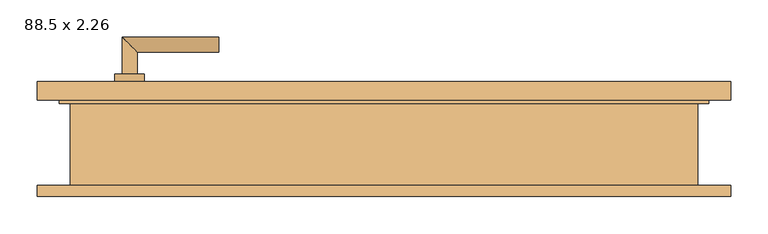
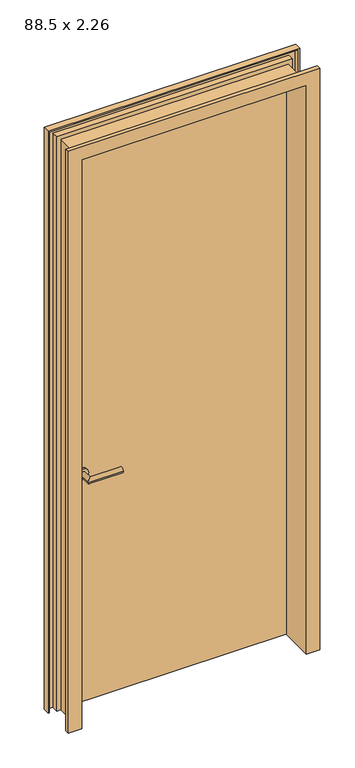
"""IFC4 building model written with IfcOpenShell, lengths in millimetres: door geometry, 88.5 x 2.26."""

import ifcopenshell
import ifcopenshell.guid

model = None  # the IFC model being written
_history = None  # IfcOwnerHistory: only IFC2X3 demands one
_inside = {}  # id of a spatial element -> (the spatial element, [elements in it])
_under = {}  # id of a project, library or spatial element -> (it, [spatial elements below it])
_declared = {}  # id of a project -> (the project, [libraries it declares])
_typed = {}  # id of a type object -> (the type object, [elements of that type])
_made_of = {}  # id of a material, layer set ... -> (it, [elements and type objects made of it])


def new_model(schema):
    """Start an empty IFC model of exactly this schema.

    Asked for "IFC4X3", IfcOpenShell would pick the latest addendum, in which some entities
    have other attributes; the version numbers below select the first issue.
    IFC2X3 requires an IfcOwnerHistory on every rooted entity: one is made here for all.
    """
    global model, _history
    if schema == "IFC4X3":
        model = ifcopenshell.file(schema_version=(4, 3, 0, 0))
    else:
        model = ifcopenshell.file(schema=schema)
    _inside.clear()
    _under.clear()
    _declared.clear()
    _typed.clear()
    _made_of.clear()
    _history = None
    if model.schema == "IFC2X3":
        org = make("IfcOrganization", Name="unknown")
        user = make(
            "IfcPersonAndOrganization",
            ThePerson=make("IfcPerson", FamilyName="unknown"),
            TheOrganization=org,
        )
        app = make(
            "IfcApplication",
            ApplicationDeveloper=org,
            Version="unknown",
            ApplicationFullName="unknown",
            ApplicationIdentifier="unknown",
        )
        _history = make(
            "IfcOwnerHistory",
            OwningUser=user,
            OwningApplication=app,
            ChangeAction="ADDED",
            CreationDate=0,
        )
    return model


def make(cls, **values):
    """One entity of the class cls with the attributes given. An attribute that is None is left unset."""
    return model.create_entity(
        cls, **{name: value for name, value in values.items() if value is not None}
    )


def rooted(cls, **values):
    """An entity with a GlobalId (a new one), such as an element, a storey or a relation."""
    return make(cls, GlobalId=ifcopenshell.guid.new(), OwnerHistory=_history, **values)


def si_unit(unit_type, name, prefix=None):
    """IfcSIUnit, for example si_unit("LENGTHUNIT", "METRE", prefix="MILLI")."""
    return make("IfcSIUnit", UnitType=unit_type, Prefix=prefix, Name=name)


def assignment(units):
    """IfcUnitAssignment: the units of a project."""
    return None if units is None else make("IfcUnitAssignment", Units=units)


def point(xyz):
    """IfcCartesianPoint."""
    return None if xyz is None else make("IfcCartesianPoint", Coordinates=xyz)


def direction(xyz):
    """IfcDirection."""
    return None if xyz is None else make("IfcDirection", DirectionRatios=xyz)


def frame(location, z_axis=None, x_axis=None):
    """IfcAxis2Placement3D, a coordinate frame: its origin and axes. An axis left out is left unset."""
    return make(
        "IfcAxis2Placement3D",
        Location=point(location),
        Axis=direction(z_axis),
        RefDirection=direction(x_axis),
    )


def frame_2d(location, x_axis=None):
    """IfcAxis2Placement2D, a coordinate frame in the plane: its origin and x axis."""
    return make(
        "IfcAxis2Placement2D", Location=point(location), RefDirection=direction(x_axis)
    )


def origin():
    """The frame at (0, 0, 0) with its axes left unset."""
    return frame((0.0, 0.0, 0.0))


def origin_with_axes():
    """The frame at (0, 0, 0) with the z axis (0, 0, 1) and the x axis (1, 0, 0) written out."""
    return frame((0.0, 0.0, 0.0), z_axis=(0.0, 0.0, 1.0), x_axis=(1.0, 0.0, 0.0))


def place(relative_to, where):
    """IfcLocalPlacement: puts the frame where relative to a parent placement (None: the world)."""
    return make(
        "IfcLocalPlacement", PlacementRelTo=relative_to, RelativePlacement=where
    )


def context(
    kind, dimensions, precision=None, world=None, true_north=None, identifier=None
):
    """IfcGeometricRepresentationContext, for example the 3D "Model" context."""
    return make(
        "IfcGeometricRepresentationContext",
        ContextIdentifier=identifier,
        ContextType=kind,
        CoordinateSpaceDimension=dimensions,
        Precision=precision,
        WorldCoordinateSystem=world,
        TrueNorth=true_north,
    )


def project(units=None, contexts=None):
    """IfcProject with its units and contexts."""
    return rooted(
        "IfcProject",
        Name="project",
        RepresentationContexts=contexts,
        UnitsInContext=assignment(units),
    )


def spatial(cls, under=None, at=None, **own):
    """A site, building, storey or space (cls), placed at a placement, below another one or the project."""
    s = rooted(cls, ObjectPlacement=at, **own)
    if under is not None:
        _under.setdefault(under.id(), (under, []))[1].append(s)
    return s


def polyline(points):
    """IfcPolyline through the points."""
    return make("IfcPolyline", Points=[point(p) for p in points])


def circle_curve(where, radius):
    """IfcCircle in the frame where."""
    return make("IfcCircle", Position=where, Radius=radius)


def ellipse_curve(where, semi_axis1, semi_axis2):
    """IfcEllipse in the frame where."""
    return make(
        "IfcEllipse", Position=where, SemiAxis1=semi_axis1, SemiAxis2=semi_axis2
    )


def trimmed(basis, trim1, trim2, sense, master):
    """IfcTrimmedCurve: the piece of a basis curve between two trims."""
    return make(
        "IfcTrimmedCurve",
        BasisCurve=basis,
        Trim1=trim1,
        Trim2=trim2,
        SenseAgreement=sense,
        MasterRepresentation=master,
    )


def segment(curve, same_sense, transition):
    """IfcCompositeCurveSegment."""
    return make(
        "IfcCompositeCurveSegment",
        Transition=transition,
        SameSense=same_sense,
        ParentCurve=curve,
    )


def composite_curve(segments, self_intersect=None):
    """IfcCompositeCurve: segments joined end to end."""
    return make("IfcCompositeCurve", Segments=segments, SelfIntersect=self_intersect)


def outline(outer, holes=None, kind="AREA"):
    """IfcArbitraryClosedProfileDef: a profile drawn as a closed curve; with holes, ...WithVoids."""
    if holes is None:
        return make("IfcArbitraryClosedProfileDef", ProfileType=kind, OuterCurve=outer)
    return make(
        "IfcArbitraryProfileDefWithVoids",
        ProfileType=kind,
        OuterCurve=outer,
        InnerCurves=holes,
    )


def extrude(swept, where, along, depth):
    """IfcExtrudedAreaSolid: the profile swept, set in the frame where, extruded along a direction by depth."""
    return make(
        "IfcExtrudedAreaSolid",
        SweptArea=swept,
        Position=where,
        ExtrudedDirection=direction(along),
        Depth=depth,
    )


def faces_of(points, faces, orient=None, outer=None):
    """IfcFace entities. A face is a list of loops; a loop is a list of indices into points, from 0.

    orient and outer hold one flag for each loop. By default every Orientation is true, the
    first loop of a face is its IfcFaceOuterBound and the others are IfcFaceBound.
    """
    made = []
    for i, loops in enumerate(faces):
        bounds = []
        for j, loop in enumerate(loops):
            is_outer = j == 0 if outer is None else outer[i][j]
            bounds.append(
                make(
                    "IfcFaceOuterBound" if is_outer else "IfcFaceBound",
                    Bound=make("IfcPolyLoop", Polygon=[points[k] for k in loop]),
                    Orientation=True if orient is None else orient[i][j],
                )
            )
        made.append(make("IfcFace", Bounds=bounds))
    return made


def faceted_brep(points, faces, orient=None, outer=None, voids=None):
    """IfcFacetedBrep: a solid bounded by flat faces; with voids (closed shells), ...WithVoids."""
    shared = [point(p) for p in points]
    hull = make("IfcClosedShell", CfsFaces=faces_of(shared, faces, orient, outer))
    if voids is None:
        return make("IfcFacetedBrep", Outer=hull)
    return make(
        "IfcFacetedBrepWithVoids",
        Outer=hull,
        Voids=[
            make(cls, CfsFaces=faces_of(shared, fs, o, b)) for cls, fs, o, b in voids
        ],
    )


def shape(context_of_items, identifier, shape_type, items):
    """IfcShapeRepresentation: the items that make up one representation, for example the "Body"."""
    return make(
        "IfcShapeRepresentation",
        ContextOfItems=context_of_items,
        RepresentationIdentifier=identifier,
        RepresentationType=shape_type,
        Items=items,
    )


def source(mapping_origin, context_of_items, identifier, shape_type, items):
    """IfcRepresentationMap: a shape defined once, which mapped items show again and again."""
    return make(
        "IfcRepresentationMap",
        MappingOrigin=mapping_origin,
        MappedRepresentation=shape(context_of_items, identifier, shape_type, items),
    )


def transform(
    local_origin,
    x_axis=None,
    y_axis=None,
    z_axis=None,
    scale=None,
    scale2=None,
    scale3=None,
    uniform=True,
):
    """IfcCartesianTransformationOperator3D, or its non-uniform kind. x_axis, y_axis, z_axis: its Axis1, 2, 3."""
    if uniform:
        return make(
            "IfcCartesianTransformationOperator3D",
            Axis1=direction(x_axis),
            Axis2=direction(y_axis),
            LocalOrigin=point(local_origin),
            Scale=scale,
            Axis3=direction(z_axis),
        )
    return make(
        "IfcCartesianTransformationOperator3DnonUniform",
        Axis1=direction(x_axis),
        Axis2=direction(y_axis),
        LocalOrigin=point(local_origin),
        Scale=scale,
        Axis3=direction(z_axis),
        Scale2=scale2,
        Scale3=scale3,
    )


def mapped(mapping_source, mapping_target):
    """IfcMappedItem: shows the shape of a source again, moved by a transform."""
    return make(
        "IfcMappedItem", MappingSource=mapping_source, MappingTarget=mapping_target
    )


def made_of(thing, what):
    """Note that an element or type object is made of a material, layer set ...; save() writes the relation."""
    if what is not None:
        _made_of.setdefault(what.id(), (what, []))[1].append(thing)
    return thing


def element(
    cls,
    number,
    at=None,
    inside=None,
    cuts=None,
    type_object=None,
    material=None,
    context=None,
    identifier="Body",
    shape_type=None,
    held_by="IfcProductDefinitionShape",
    body=None,
    shapes=None,
    **own,
):
    """One element of the class cls, such as IfcWall. Its Tag is "e" and its number.

    at: its placement. inside: the storey or other place that contains it. cuts: it is an
    opening in that element (IfcRelVoidsElement). A single representation is given by context,
    identifier, shape_type and body (its items); several are given by shapes. held_by: the class
    of the entity that holds the representations. save() writes the other relations.
    """
    e = rooted(cls, Tag="e%d" % number, ObjectPlacement=at, **own)
    if body is not None:
        shapes = [shape(context, identifier, shape_type, body)]
    if shapes is not None:
        e.Representation = make(held_by, Representations=shapes)
    if inside is not None:
        _inside.setdefault(inside.id(), (inside, []))[1].append(e)
    if cuts is not None:
        rooted(
            "IfcRelVoidsElement", RelatingBuildingElement=cuts, RelatedOpeningElement=e
        )
    if type_object is not None:
        _typed.setdefault(type_object.id(), (type_object, []))[1].append(e)
    return made_of(e, material)


def aggregate(whole, parts):
    """IfcRelAggregates: a whole, such as a stair, and the parts it consists of."""
    return rooted("IfcRelAggregates", RelatingObject=whole, RelatedObjects=parts)


def save(model, path):
    """Write the relations noted so far, then the file.

    IfcRelAggregates (storeys below a building ...), IfcRelContainedInSpatialStructure (elements
    in a storey), IfcRelDefinesByType, IfcRelAssociatesMaterial and IfcRelDeclares: one each for
    every whole, place, type object, material and project.
    """
    for whole, parts in _under.values():
        aggregate(whole, parts)
    for where, things in _inside.values():
        rooted(
            "IfcRelContainedInSpatialStructure",
            RelatedElements=things,
            RelatingStructure=where,
        )
    for kind, things in _typed.values():
        rooted("IfcRelDefinesByType", RelatedObjects=things, RelatingType=kind)
    for what, things in _made_of.values():
        rooted("IfcRelAssociatesMaterial", RelatedObjects=things, RelatingMaterial=what)
    for by, libraries in _declared.values():
        rooted("IfcRelDeclares", RelatingContext=by, RelatedDefinitions=libraries)
    model.write(path)


def plane_surface(at):
    """IfcPlane: the flat surface through the origin of the frame at, square to its z axis."""
    return make("IfcPlane", Position=at)


def cylinder_surface(at, radius):
    """IfcCylindricalSurface: all points at the distance radius from the z axis of the frame at."""
    return make("IfcCylindricalSurface", Position=at, Radius=radius)


def advanced_brep(points, edges, surfaces, faces):
    """IfcAdvancedBrep: a solid bounded by faces that lie on surfaces and meet in shared edges.

    An edge is (start, end): straight between two places in points (the first is 0);
    or (start, end, curve); or (start, end, curve, False) where it runs against its curve.
    A face is (place in surfaces, loops), or (place, loops, False) where it looks against
    its surface's normal. A loop lists edges by number (the first is 1), with a minus sign
    where the edge is run from its end to its start. The first loop is the outer one.
    """
    corners = [point(p) for p in points]
    vertices = [make("IfcVertexPoint", VertexGeometry=c) for c in corners]
    made = []
    for start, end, *more in edges:
        made.append(
            make(
                "IfcEdgeCurve",
                EdgeStart=vertices[start],
                EdgeEnd=vertices[end],
                EdgeGeometry=more[0] if more else make("IfcPolyline", Points=[corners[start], corners[end]]),
                SameSense=more[1] if len(more) > 1 else True,
            )
        )
    hull = []
    for where, loops, *sense in faces:
        bounds = []
        for j, loop in enumerate(loops):
            ring = [make("IfcOrientedEdge", EdgeElement=made[abs(k) - 1], Orientation=k > 0) for k in loop]
            bounds.append(
                make(
                    "IfcFaceOuterBound" if j == 0 else "IfcFaceBound",
                    Bound=make("IfcEdgeLoop", EdgeList=ring),
                    Orientation=True,
                )
            )
        hull.append(make("IfcAdvancedFace", Bounds=bounds, FaceSurface=surfaces[where], SameSense=sense[0] if sense else True))
    return make("IfcAdvancedBrep", Outer=make("IfcClosedShell", CfsFaces=hull))


def door_88_5_x_2_26_aee30849(model_context):
    return source(origin(), model_context, "Body", "SolidModel", [
        advanced_brep(
        [(-332.5, 61.9346141, 900.0), (-352.5, 61.9346141, 900.0), (-332.5, 31.9346141, 900.0), (-352.5, 11.9346141, 900.0), (-222.5, 31.9346141, 900.0), (-222.5, 11.9346141, 900.0)],
        [
            (0, 1, circle_curve(frame((-342.5, 61.9346141, 900.0), z_axis=(0.0, 1.0, 0.0), x_axis=(-1.0, 0.0, 0.0)), 10.0)),
            (1, 0, circle_curve(frame((-342.5, 61.9346141, 900.0), z_axis=(0.0, 1.0, 0.0), x_axis=(-1.0, 0.0, 0.0)), 10.0)),
            (0, 2),
            (2, 3, ellipse_curve(frame((-342.5, 21.9346141, 900.0), z_axis=(-0.7071067811865686, 0.7071067811865265, 0.0), x_axis=(0.7071067811865264, 0.7071067811865687, 0.0)), 14.1421356, 10.0)),
            (3, 1),
            (3, 2, ellipse_curve(frame((-342.5, 21.9346141, 900.0), z_axis=(-0.7071067811865686, 0.7071067811865265, 0.0), x_axis=(0.7071067811865264, 0.7071067811865687, 0.0)), 14.1421356, 10.0)),
            (4, 5, circle_curve(frame((-222.5, 21.9346141, 900.0), z_axis=(1.0, 0.0, 0.0), x_axis=(0.0, -1.0, 0.0)), 10.0)),
            (5, 4, circle_curve(frame((-222.5, 21.9346141, 900.0), z_axis=(1.0, 0.0, 0.0), x_axis=(0.0, -1.0, 0.0)), 10.0)),
            (2, 4),
            (5, 3),
        ],
        [
            plane_surface(frame((-342.5, 61.9346141, -387.7526403), z_axis=(0.0, 1.0, 0.0), x_axis=(0.0, 0.0, 1.0))),
            cylinder_surface(frame((-342.5, 61.9346141, 900.0), z_axis=(0.0, 1.0, 0.0), x_axis=(-1.0, 0.0, 0.0)), 10.0),
            plane_surface(frame((-222.5, 21.9346141, -387.7526403), z_axis=(1.0, 0.0, 0.0), x_axis=(0.0, 0.0, 1.0))),
            cylinder_surface(frame((-342.5, 21.9346141, 900.0), z_axis=(-1.0, 0.0, 0.0), x_axis=(0.0, -1.0, 0.0)), 10.0),
        ],
        [
            (0, [[1, 2]]),
            (1, [[-1, 3, 4, 5]]),
            (1, [[-2, -5, 6, -3]]),
            (2, [[7, 8]]),
            (3, [[-4, 9, -8, 10]]),
            (3, [[-6, -10, -7, -9]]),
        ],
    ),
        advanced_brep(
        [(-332.5, 106.9346141, 900.0), (-352.5, 106.9346141, 900.0), (-332.5, 136.9346141, 900.0), (-352.5, 156.9346141, 900.0), (-222.5, 136.9346141, 900.0), (-222.5, 156.9346141, 900.0)],
        [
            (0, 1, circle_curve(frame((-342.5, 106.9346141, 900.0), z_axis=(0.0, -1.0, 0.0), x_axis=(-1.0, 0.0, 0.0)), 10.0)),
            (1, 0, circle_curve(frame((-342.5, 106.9346141, 900.0), z_axis=(0.0, -1.0, 0.0), x_axis=(-1.0, 0.0, 0.0)), 10.0)),
            (0, 2),
            (2, 3, ellipse_curve(frame((-342.5, 146.9346141, 900.0), z_axis=(-0.7071067811865486, -0.7071067811865464, 0.0), x_axis=(0.7071067811865464, -0.7071067811865488, 0.0)), 14.1421356, 10.0)),
            (3, 1),
            (3, 2, ellipse_curve(frame((-342.5, 146.9346141, 900.0), z_axis=(-0.7071067811865486, -0.7071067811865464, 0.0), x_axis=(0.7071067811865464, -0.7071067811865488, 0.0)), 14.1421356, 10.0)),
            (4, 5, circle_curve(frame((-222.5, 146.9346141, 900.0), z_axis=(1.0, 0.0, 0.0), x_axis=(0.0, 1.0, 0.0)), 10.0)),
            (5, 4, circle_curve(frame((-222.5, 146.9346141, 900.0), z_axis=(1.0, 0.0, 0.0), x_axis=(0.0, 1.0, 0.0)), 10.0)),
            (2, 4),
            (5, 3),
        ],
        [
            plane_surface(frame((-342.5, 106.9346141, -387.7526403), z_axis=(0.0, -1.0, 0.0), x_axis=(0.0, 0.0, 1.0))),
            cylinder_surface(frame((-342.5, 106.9346141, 900.0), z_axis=(0.0, -1.0, 0.0), x_axis=(-1.0, 0.0, 0.0)), 10.0),
            plane_surface(frame((-222.5, 146.9346141, -387.7526403), z_axis=(1.0, 0.0, 0.0), x_axis=(0.0, 0.0, 1.0))),
            cylinder_surface(frame((-342.5, 146.9346141, 900.0), z_axis=(-1.0, 0.0, 0.0), x_axis=(0.0, 1.0, 0.0)), 10.0),
        ],
        [
            (0, [[1, 2]]),
            (1, [[-1, 3, 4, 5]]),
            (1, [[-2, -5, 6, -3]]),
            (2, [[7, 8]]),
            (3, [[-4, 9, -8, 10]]),
            (3, [[-6, -10, -7, -9]]),
        ],
    ),
        extrude(outline(composite_curve([segment(trimmed(circle_curve(frame_2d((900.0, -342.5)), 20.0), [point((900.0, -322.5))], [point((900.0, -362.5))], False, "CARTESIAN"), True, "CONTINUOUS"), segment(trimmed(circle_curve(frame_2d((900.0, -342.5)), 20.0), [point((900.0, -362.5))], [point((900.0, -322.5))], False, "CARTESIAN"), True, "CONTINUOUS")], self_intersect=False)), frame((0.0, 61.9346141, 0.0), z_axis=(0.0, 1.0, 0.0), x_axis=(0.0, 0.0, 1.0)), (0.0, 0.0, 1.0), 10.0),
        extrude(outline(composite_curve([segment(trimmed(circle_curve(frame_2d((900.0, -342.5)), 20.0), [point((900.0, -322.5))], [point((900.0, -362.5))], False, "CARTESIAN"), True, "CONTINUOUS"), segment(trimmed(circle_curve(frame_2d((900.0, -342.5)), 20.0), [point((900.0, -362.5))], [point((900.0, -322.5))], False, "CARTESIAN"), True, "CONTINUOUS")], self_intersect=False)), frame((0.0, 96.9346141, 0.0), z_axis=(0.0, 1.0, 0.0), x_axis=(0.0, 0.0, 1.0)), (0.0, 0.0, 1.0), 10.0),
        extrude(outline(polyline([(432.5, 71.9346141), (-432.5, 71.9346141), (-432.5, 96.9346141), (432.5, 96.9346141), (432.5, 71.9346141)])), origin_with_axes(), (0.0, 0.0, 1.0), 2250.0),
        faceted_brep([(466.9603207, -58.0653859, 0.0), (417.5, -58.0653859, 0.0), (417.5, 71.9346141, 0.0), (432.5, 71.9346141, 0.0), (432.5, 96.9346141, 0.0), (466.9603207, 96.9346141, 0.0), (466.9603207, 71.9346141, 0.0), (461.9603207, 71.9346141, 0.0), (461.9603207, 91.9346141, 0.0), (437.5, 91.9346141, 0.0), (437.5, 66.9346141, 0.0), (422.5, 66.9346141, 0.0), (422.5, -53.0653859, 0.0), (461.9603207, -53.0653859, 0.0), (461.9603207, -43.0653859, 0.0), (466.9603207, -43.0653859, 0.0), (466.9603207, -58.0653859, 2284.4603207), (-466.9603207, -58.0653859, 2284.4603207), (-466.9603207, -58.0653859, 0.0), (-417.5, -58.0653859, 0.0), (-417.5, -58.0653859, 2235.0), (417.5, -58.0653859, 2235.0), (417.5, 71.9346141, 2235.0), (-417.5, 71.9346141, 2235.0), (-417.5, 71.9346141, 0.0), (-432.5, 71.9346141, 0.0), (-432.5, 71.9346141, 2250.0), (432.5, 71.9346141, 2250.0), (432.5, 96.9346141, 2250.0), (-432.5, 96.9346141, 2250.0), (-432.5, 96.9346141, 0.0), (-466.9603207, 96.9346141, 0.0), (-466.9603207, 96.9346141, 2284.4603207), (466.9603207, 96.9346141, 2284.4603207), (466.9603207, 71.9346141, 2284.4603207), (-466.9603207, 71.9346141, 2284.4603207), (-466.9603207, 71.9346141, 0.0), (-461.9603207, 71.9346141, 0.0), (-461.9603207, 71.9346141, 2279.4603207), (461.9603207, 71.9346141, 2279.4603207), (461.9603207, 91.9346141, 2279.4603207), (-461.9603207, 91.9346141, 2279.4603207), (-461.9603207, 91.9346141, 0.0), (-437.5, 91.9346141, 0.0), (-437.5, 91.9346141, 2255.0), (437.5, 91.9346141, 2255.0), (437.5, 66.9346141, 2255.0), (-437.5, 66.9346141, 2255.0), (-437.5, 66.9346141, 0.0), (-422.5, 66.9346141, 0.0), (-422.5, 66.9346141, 2240.0), (422.5, 66.9346141, 2240.0), (422.5, -53.0653859, 2240.0), (-422.5, -53.0653859, 2240.0), (-422.5, -53.0653859, 0.0), (-461.9603207, -53.0653859, 0.0), (-461.9603207, -53.0653859, 2279.4603207), (461.9603207, -53.0653859, 2279.4603207), (461.9603207, -43.0653859, 2279.4603207), (-461.9603207, -43.0653859, 2279.4603207), (-461.9603207, -43.0653859, 0.0), (-466.9603207, -43.0653859, 0.0), (-466.9603207, -43.0653859, 2284.4603207), (466.9603207, -43.0653859, 2284.4603207)], [[[0, 1, 2, 3, 4, 5, 6, 7, 8, 9, 10, 11, 12, 13, 14, 15]], [[1, 0, 16, 17, 18, 19, 20, 21]], [[2, 1, 21, 22]], [[3, 2, 22, 23, 24, 25, 26, 27]], [[4, 3, 27, 28]], [[5, 4, 28, 29, 30, 31, 32, 33]], [[6, 5, 33, 34]], [[7, 6, 34, 35, 36, 37, 38, 39]], [[8, 7, 39, 40]], [[9, 8, 40, 41, 42, 43, 44, 45]], [[10, 9, 45, 46]], [[11, 10, 46, 47, 48, 49, 50, 51]], [[12, 11, 51, 52]], [[13, 12, 52, 53, 54, 55, 56, 57]], [[14, 13, 57, 58]], [[15, 14, 58, 59, 60, 61, 62, 63]], [[0, 15, 63, 16]], [[22, 21, 20, 23]], [[28, 27, 26, 29]], [[34, 33, 32, 35]], [[40, 39, 38, 41]], [[46, 45, 44, 47]], [[52, 51, 50, 53]], [[58, 57, 56, 59]], [[16, 63, 62, 17]], [[18, 61, 60, 55, 54, 49, 48, 43, 42, 37, 36, 31, 30, 25, 24, 19]], [[23, 20, 19, 24]], [[29, 26, 25, 30]], [[35, 32, 31, 36]], [[41, 38, 37, 42]], [[47, 44, 43, 48]], [[53, 50, 49, 54]], [[59, 56, 55, 60]], [[17, 62, 61, 18]]]),
    ])


if __name__ == "__main__":
    model = new_model("IFC4")
    model_context = context("Model", 3, world=origin())
    ifc_project = project(units=[si_unit("LENGTHUNIT", "METRE", prefix="MILLI")], contexts=[model_context])
    site = spatial("IfcSite", under=ifc_project)
    building = spatial("IfcBuilding", under=site)
    placement = place(None, origin())
    door_88_5_x_2_26_shape = door_88_5_x_2_26_aee30849(model_context)
    element("IfcDoor", 1, ObjectType="88.5 x 2.26", at=placement, inside=building, context=model_context, shape_type="MappedRepresentation", body=[
        mapped(door_88_5_x_2_26_shape, transform((0.0, 0.0, 0.0), x_axis=(1.0, 0.0, 0.0), y_axis=(0.0, 1.0, 0.0), z_axis=(0.0, 0.0, 1.0))),
    ])
    save(model, "model.ifc")
